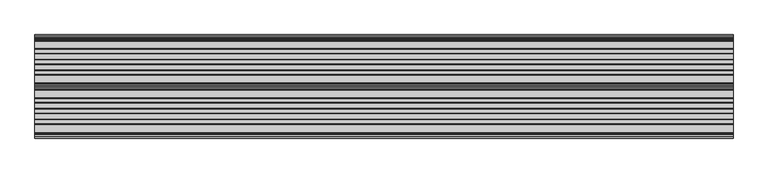
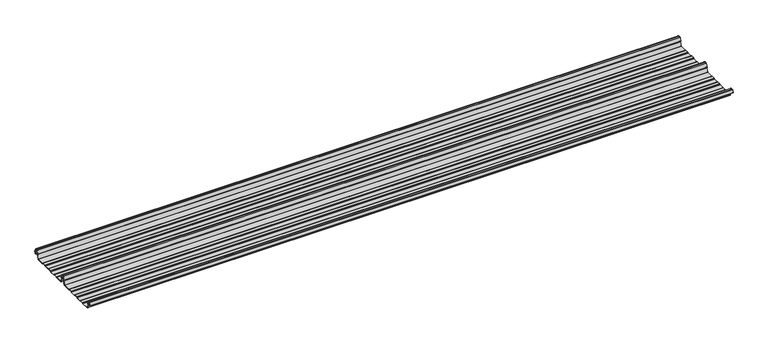
"""IFC4 building model written with IfcOpenShell, lengths in millimetres: beam geometry."""

from ifc_helpers import new_model, si_unit, point, frame, frame_2d, origin, place, context, project, spatial, polyline, circle_curve, trimmed, segment, composite_curve, outline, extrude, source, transform, mapped, element, save


def beam_70c352ec(model_context):
    return source(origin(), model_context, "Body", "SweptSolid", [
        extrude(outline(composite_curve([segment(trimmed(circle_curve(frame_2d((-231.1362436, -24.0396475)), 1.75), [point((-231.1362436, -25.7896475))], [point((-232.7807057, -24.6381827))], False, "CARTESIAN"), True, "CONTINUOUS"), segment(polyline([(-232.7807057, -24.6381827), (-241.6888002, -2.1633943)]), True, "CONTINUOUS"), segment(trimmed(circle_curve(frame_2d((-240.0443381, -1.5648591)), 1.75), [point((-241.6888002, -2.1633943))], [point((-240.4972714, 0.1255111))], False, "CARTESIAN"), True, "CONTINUOUS"), segment(polyline([(-240.4972714, 0.1255111), (-237.8419476, 0.837003)]), True, "CONTINUOUS"), segment(trimmed(circle_curve(frame_2d((-238.1654714, 2.0444103)), 1.25), [point((-237.8419476, 0.837003))], [point((-236.9908556, 2.4719355))], True, "CARTESIAN"), True, "CONTINUOUS"), segment(polyline([(-236.9908556, 2.4719355), (-243.8110817, 21.2103525), (-250.0, 21.2103525), (-256.1889183, 21.2103525), (-263.0091444, 2.4719355)]), True, "CONTINUOUS"), segment(trimmed(circle_curve(frame_2d((-261.8345286, 2.0444103)), 1.25), [point((-263.0091444, 2.4719355))], [point((-262.1580524, 0.837003))], True, "CARTESIAN"), True, "CONTINUOUS"), segment(polyline([(-262.1580524, 0.837003), (-259.5027286, 0.1255111)]), True, "CONTINUOUS"), segment(trimmed(circle_curve(frame_2d((-259.9556619, -1.5648591)), 1.75), [point((-259.5027286, 0.1255111))], [point((-258.3111998, -2.1633943))], False, "CARTESIAN"), True, "CONTINUOUS"), segment(polyline([(-258.3111998, -2.1633943), (-267.2192943, -24.6381827)]), True, "CONTINUOUS"), segment(trimmed(circle_curve(frame_2d((-268.8637564, -24.0396475)), 1.75), [point((-267.2192943, -24.6381827))], [point((-268.8637564, -25.7896475))], False, "CARTESIAN"), True, "CONTINUOUS"), segment(polyline([(-268.8637564, -25.7896475), (-307.3786797, -25.7896475)]), True, "CONTINUOUS"), segment(trimmed(circle_curve(frame_2d((-307.3786797, -24.0396475)), 1.75), [point((-307.3786797, -25.7896475))], [point((-308.6161165, -25.2770843))], False, "CARTESIAN"), True, "CONTINUOUS"), segment(polyline([(-308.6161165, -25.2770843), (-310.7788845, -23.1143163)]), True, "CONTINUOUS"), segment(trimmed(circle_curve(frame_2d((-311.5627045, -23.8981363)), 1.1084889), [point((-310.7788845, -23.1143163))], [point((-311.5627045, -22.7896475))], True, "CARTESIAN"), True, "CONTINUOUS"), segment(polyline([(-311.5627045, -22.7896475), (-330.4372955, -22.7896475)]), True, "CONTINUOUS"), segment(trimmed(circle_curve(frame_2d((-330.4372955, -23.8981363)), 1.1084889), [point((-330.4372955, -22.7896475))], [point((-331.2211155, -23.1143163))], True, "CARTESIAN"), True, "CONTINUOUS"), segment(polyline([(-331.2211155, -23.1143163), (-333.3838835, -25.2770843)]), True, "CONTINUOUS"), segment(trimmed(circle_curve(frame_2d((-334.6213203, -24.0396475)), 1.75), [point((-333.3838835, -25.2770843))], [point((-334.6213203, -25.7896475))], False, "CARTESIAN"), True, "CONTINUOUS"), segment(polyline([(-334.6213203, -25.7896475), (-361.3786797, -25.7896475)]), True, "CONTINUOUS"), segment(trimmed(circle_curve(frame_2d((-361.3786797, -24.0396475)), 1.75), [point((-361.3786797, -25.7896475))], [point((-362.6161165, -25.2770843))], False, "CARTESIAN"), True, "CONTINUOUS"), segment(polyline([(-362.6161165, -25.2770843), (-364.7788845, -23.1143163)]), True, "CONTINUOUS"), segment(trimmed(circle_curve(frame_2d((-365.5627045, -23.8981363)), 1.1084889), [point((-364.7788845, -23.1143163))], [point((-365.5627045, -22.7896475))], True, "CARTESIAN"), True, "CONTINUOUS"), segment(polyline([(-365.5627045, -22.7896475), (-384.4372955, -22.7896475)]), True, "CONTINUOUS"), segment(trimmed(circle_curve(frame_2d((-384.4372955, -23.8981363)), 1.1084889), [point((-384.4372955, -22.7896475))], [point((-385.2211155, -23.1143163))], True, "CARTESIAN"), True, "CONTINUOUS"), segment(polyline([(-385.2211155, -23.1143163), (-387.3838835, -25.2770843)]), True, "CONTINUOUS"), segment(trimmed(circle_curve(frame_2d((-388.6213203, -24.0396475)), 1.75), [point((-387.3838835, -25.2770843))], [point((-388.6213203, -25.7896475))], False, "CARTESIAN"), True, "CONTINUOUS"), segment(polyline([(-388.6213203, -25.7896475), (-415.3786797, -25.7896475)]), True, "CONTINUOUS"), segment(trimmed(circle_curve(frame_2d((-415.3786797, -24.0396475)), 1.75), [point((-415.3786797, -25.7896475))], [point((-416.6161165, -25.2770843))], False, "CARTESIAN"), True, "CONTINUOUS"), segment(polyline([(-416.6161165, -25.2770843), (-418.7788845, -23.1143163)]), True, "CONTINUOUS"), segment(trimmed(circle_curve(frame_2d((-419.5627045, -23.8981363)), 1.1084889), [point((-418.7788845, -23.1143163))], [point((-419.5627045, -22.7896475))], True, "CARTESIAN"), True, "CONTINUOUS"), segment(polyline([(-419.5627045, -22.7896475), (-438.4372955, -22.7896475)]), True, "CONTINUOUS"), segment(trimmed(circle_curve(frame_2d((-438.4372955, -23.8981363)), 1.1084889), [point((-438.4372955, -22.7896475))], [point((-439.2211155, -23.1143163))], True, "CARTESIAN"), True, "CONTINUOUS"), segment(polyline([(-439.2211155, -23.1143163), (-441.3838835, -25.2770843)]), True, "CONTINUOUS"), segment(trimmed(circle_curve(frame_2d((-442.6213203, -24.0396475)), 1.75), [point((-441.3838835, -25.2770843))], [point((-442.6213203, -25.7896475))], False, "CARTESIAN"), True, "CONTINUOUS"), segment(polyline([(-442.6213203, -25.7896475), (-483.287616, -25.7896475)]), True, "CONTINUOUS"), segment(trimmed(circle_curve(frame_2d((-483.287616, -24.0396475)), 1.75), [point((-483.287616, -25.7896475))], [point((-484.8955882, -24.7302452))], False, "CARTESIAN"), True, "CONTINUOUS"), segment(polyline([(-484.8955882, -24.7302452), (-493.5565428, -2.8789816)]), True, "CONTINUOUS"), segment(trimmed(circle_curve(frame_2d((-490.0443381, -1.5648591)), 3.75), [point((-493.5565428, -2.8789816))], [point((-490.3464639, 2.1729504))], False, "CARTESIAN"), True, "CONTINUOUS"), segment(trimmed(circle_curve(frame_2d((-490.426413, 3.162057)), 0.9923325), [point((-490.3464639, 2.1729504))], [point((-489.4939255, 3.5014547))], True, "CARTESIAN"), True, "CONTINUOUS"), segment(polyline([(-489.4939255, 3.5014547), (-494.9720116, 18.5523727)]), True, "CONTINUOUS"), segment(trimmed(circle_curve(frame_2d((-495.9117043, 18.2103525)), 1.0), [point((-494.9720116, 18.5523727))], [point((-495.9117043, 19.2103525))], True, "CARTESIAN"), True, "CONTINUOUS"), segment(polyline([(-495.9117043, 19.2103525), (-504.0882957, 19.2103525)]), True, "CONTINUOUS"), segment(trimmed(circle_curve(frame_2d((-504.0882957, 18.2103525)), 1.0), [point((-504.0882957, 19.2103525))], [point((-505.0279884, 18.5523727))], True, "CARTESIAN"), True, "CONTINUOUS"), segment(polyline([(-505.0279884, 18.5523727), (-510.4799156, 3.5733257)]), True, "CONTINUOUS"), segment(trimmed(circle_curve(frame_2d((-510.9497619, 3.7443357)), 0.5), [point((-510.4799156, 3.5733257))], [point((-511.4196082, 3.9153458))], False, "CARTESIAN"), True, "CONTINUOUS"), segment(polyline([(-511.4196082, 3.9153458), (-505.967681, 18.8943928)]), True, "CONTINUOUS"), segment(trimmed(circle_curve(frame_2d((-504.0882957, 18.2103525)), 2.0), [point((-505.967681, 18.8943928))], [point((-504.0882957, 20.2103525))], False, "CARTESIAN"), True, "CONTINUOUS"), segment(polyline([(-504.0882957, 20.2103525), (-495.9117043, 20.2103525)]), True, "CONTINUOUS"), segment(trimmed(circle_curve(frame_2d((-495.9117043, 18.2103525)), 2.0), [point((-495.9117043, 20.2103525))], [point((-494.032319, 18.8943928))], False, "CARTESIAN"), True, "CONTINUOUS"), segment(polyline([(-494.032319, 18.8943928), (-488.5542329, 3.8434749)]), True, "CONTINUOUS"), segment(trimmed(circle_curve(frame_2d((-490.426413, 3.162057)), 1.9923325), [point((-488.5542329, 3.8434749))], [point((-490.265897, 1.1762012))], False, "CARTESIAN"), True, "CONTINUOUS"), segment(trimmed(circle_curve(frame_2d((-490.0443381, -1.5648591)), 2.75), [point((-490.265897, 1.1762012))], [point((-492.6230664, -2.5201915))], True, "CARTESIAN"), True, "CONTINUOUS"), segment(polyline([(-492.6230664, -2.5201915), (-483.9722515, -24.3458733)]), True, "CONTINUOUS"), segment(trimmed(circle_curve(frame_2d((-483.287616, -24.0396475)), 0.75), [point((-483.9722515, -24.3458733))], [point((-483.287616, -24.7896475))], True, "CARTESIAN"), True, "CONTINUOUS"), segment(polyline([(-483.287616, -24.7896475), (-442.7420401, -24.7896475)]), True, "CONTINUOUS"), segment(trimmed(circle_curve(frame_2d((-442.7420401, -23.7482041)), 1.0414433), [point((-442.7420401, -24.7896475))], [point((-442.0056285, -24.4846158))], True, "CARTESIAN"), True, "CONTINUOUS"), segment(polyline([(-442.0056285, -24.4846158), (-439.9696699, -22.4486572)]), True, "CONTINUOUS"), segment(trimmed(circle_curve(frame_2d((-438.3786797, -24.0396475)), 2.25), [point((-439.9696699, -22.4486572))], [point((-438.3786797, -21.7896475))], False, "CARTESIAN"), True, "CONTINUOUS"), segment(polyline([(-438.3786797, -21.7896475), (-419.6213203, -21.7896475)]), True, "CONTINUOUS"), segment(trimmed(circle_curve(frame_2d((-419.6213203, -24.0396475)), 2.25), [point((-419.6213203, -21.7896475))], [point((-418.0303301, -22.4486572))], False, "CARTESIAN"), True, "CONTINUOUS"), segment(polyline([(-418.0303301, -22.4486572), (-415.9943715, -24.4846158)]), True, "CONTINUOUS"), segment(trimmed(circle_curve(frame_2d((-415.2579599, -23.7482041)), 1.0414433), [point((-415.9943715, -24.4846158))], [point((-415.2579599, -24.7896475))], True, "CARTESIAN"), True, "CONTINUOUS"), segment(polyline([(-415.2579599, -24.7896475), (-388.7420401, -24.7896475)]), True, "CONTINUOUS"), segment(trimmed(circle_curve(frame_2d((-388.7420401, -23.7482041)), 1.0414433), [point((-388.7420401, -24.7896475))], [point((-388.0056285, -24.4846158))], True, "CARTESIAN"), True, "CONTINUOUS"), segment(polyline([(-388.0056285, -24.4846158), (-385.9696699, -22.4486572)]), True, "CONTINUOUS"), segment(trimmed(circle_curve(frame_2d((-384.3786797, -24.0396475)), 2.25), [point((-385.9696699, -22.4486572))], [point((-384.3786797, -21.7896475))], False, "CARTESIAN"), True, "CONTINUOUS"), segment(polyline([(-384.3786797, -21.7896475), (-365.6213203, -21.7896475)]), True, "CONTINUOUS"), segment(trimmed(circle_curve(frame_2d((-365.6213203, -24.0396475)), 2.25), [point((-365.6213203, -21.7896475))], [point((-364.0303301, -22.4486572))], False, "CARTESIAN"), True, "CONTINUOUS"), segment(polyline([(-364.0303301, -22.4486572), (-361.9943715, -24.4846158)]), True, "CONTINUOUS"), segment(trimmed(circle_curve(frame_2d((-361.2579599, -23.7482041)), 1.0414433), [point((-361.9943715, -24.4846158))], [point((-361.2579599, -24.7896475))], True, "CARTESIAN"), True, "CONTINUOUS"), segment(polyline([(-361.2579599, -24.7896475), (-334.7420401, -24.7896475)]), True, "CONTINUOUS"), segment(trimmed(circle_curve(frame_2d((-334.7420401, -23.7482041)), 1.0414433), [point((-334.7420401, -24.7896475))], [point((-334.0056285, -24.4846158))], True, "CARTESIAN"), True, "CONTINUOUS"), segment(polyline([(-334.0056285, -24.4846158), (-331.9696699, -22.4486572)]), True, "CONTINUOUS"), segment(trimmed(circle_curve(frame_2d((-330.3786797, -24.0396475)), 2.25), [point((-331.9696699, -22.4486572))], [point((-330.3786797, -21.7896475))], False, "CARTESIAN"), True, "CONTINUOUS"), segment(polyline([(-330.3786797, -21.7896475), (-311.6213203, -21.7896475)]), True, "CONTINUOUS"), segment(trimmed(circle_curve(frame_2d((-311.6213203, -24.0396475)), 2.25), [point((-311.6213203, -21.7896475))], [point((-310.0303301, -22.4486572))], False, "CARTESIAN"), True, "CONTINUOUS"), segment(polyline([(-310.0303301, -22.4486572), (-307.9943715, -24.4846158)]), True, "CONTINUOUS"), segment(trimmed(circle_curve(frame_2d((-307.2579599, -23.7482041)), 1.0414433), [point((-307.9943715, -24.4846158))], [point((-307.2579599, -24.7896475))], True, "CARTESIAN"), True, "CONTINUOUS"), segment(polyline([(-307.2579599, -24.7896475), (-268.8637564, -24.7896475)]), True, "CONTINUOUS"), segment(trimmed(circle_curve(frame_2d((-268.8637564, -24.0396475)), 0.75), [point((-268.8637564, -24.7896475))], [point((-268.1552359, -24.2856122))], True, "CARTESIAN"), True, "CONTINUOUS"), segment(polyline([(-268.1552359, -24.2856122), (-259.2471414, -1.8108238)]), True, "CONTINUOUS"), segment(trimmed(circle_curve(frame_2d((-259.9556619, -1.5648591)), 0.75), [point((-259.2471414, -1.8108238))], [point((-259.7615476, -0.8404147))], True, "CARTESIAN"), True, "CONTINUOUS"), segment(polyline([(-259.7615476, -0.8404147), (-262.4168715, -0.1289228)]), True, "CONTINUOUS"), segment(trimmed(circle_curve(frame_2d((-261.8345286, 2.0444103)), 2.25), [point((-262.4168715, -0.1289228))], [point((-263.948837, 2.8139556))], False, "CARTESIAN"), True, "CONTINUOUS"), segment(polyline([(-263.948837, 2.8139556), (-257.1273286, 21.5558959)]), True, "CONTINUOUS"), segment(trimmed(circle_curve(frame_2d((-256.1926676, 21.2157071)), 0.9946455), [point((-257.1273286, 21.5558959))], [point((-256.1926676, 22.2103525))], False, "CARTESIAN"), True, "CONTINUOUS"), segment(polyline([(-256.1926676, 22.2103525), (-250.0, 22.2103525), (-243.8073324, 22.2103525)]), True, "CONTINUOUS"), segment(trimmed(circle_curve(frame_2d((-243.8073324, 21.2157071)), 0.9946455), [point((-243.8073324, 22.2103525))], [point((-242.8726714, 21.5558959))], False, "CARTESIAN"), True, "CONTINUOUS"), segment(polyline([(-242.8726714, 21.5558959), (-236.051163, 2.8139556)]), True, "CONTINUOUS"), segment(trimmed(circle_curve(frame_2d((-238.1654714, 2.0444103)), 2.25), [point((-236.051163, 2.8139556))], [point((-237.5831285, -0.1289228))], False, "CARTESIAN"), True, "CONTINUOUS"), segment(polyline([(-237.5831285, -0.1289228), (-240.2384524, -0.8404147)]), True, "CONTINUOUS"), segment(trimmed(circle_curve(frame_2d((-240.0443381, -1.5648591)), 0.75), [point((-240.2384524, -0.8404147))], [point((-240.7528586, -1.8108238))], True, "CARTESIAN"), True, "CONTINUOUS"), segment(polyline([(-240.7528586, -1.8108238), (-231.8447641, -24.2856122)]), True, "CONTINUOUS"), segment(trimmed(circle_curve(frame_2d((-231.1362436, -24.0396475)), 0.75), [point((-231.8447641, -24.2856122))], [point((-231.1362436, -24.7896475))], True, "CARTESIAN"), True, "CONTINUOUS"), segment(polyline([(-231.1362436, -24.7896475), (-192.7420401, -24.7896475)]), True, "CONTINUOUS"), segment(trimmed(circle_curve(frame_2d((-192.7420401, -23.7482041)), 1.0414433), [point((-192.7420401, -24.7896475))], [point((-192.0056285, -24.4846158))], True, "CARTESIAN"), True, "CONTINUOUS"), segment(polyline([(-192.0056285, -24.4846158), (-189.9696699, -22.4486572)]), True, "CONTINUOUS"), segment(trimmed(circle_curve(frame_2d((-188.3786797, -24.0396475)), 2.25), [point((-189.9696699, -22.4486572))], [point((-188.3786797, -21.7896475))], False, "CARTESIAN"), True, "CONTINUOUS"), segment(polyline([(-188.3786797, -21.7896475), (-169.6213203, -21.7896475)]), True, "CONTINUOUS"), segment(trimmed(circle_curve(frame_2d((-169.6213203, -24.0396475)), 2.25), [point((-169.6213203, -21.7896475))], [point((-168.0303301, -22.4486572))], False, "CARTESIAN"), True, "CONTINUOUS"), segment(polyline([(-168.0303301, -22.4486572), (-165.9943715, -24.4846158)]), True, "CONTINUOUS"), segment(trimmed(circle_curve(frame_2d((-165.2579599, -23.7482041)), 1.0414433), [point((-165.9943715, -24.4846158))], [point((-165.2579599, -24.7896475))], True, "CARTESIAN"), True, "CONTINUOUS"), segment(polyline([(-165.2579599, -24.7896475), (-138.7420401, -24.7896475)]), True, "CONTINUOUS"), segment(trimmed(circle_curve(frame_2d((-138.7420401, -23.7482041)), 1.0414433), [point((-138.7420401, -24.7896475))], [point((-138.0056285, -24.4846158))], True, "CARTESIAN"), True, "CONTINUOUS"), segment(polyline([(-138.0056285, -24.4846158), (-135.9696699, -22.4486572)]), True, "CONTINUOUS"), segment(trimmed(circle_curve(frame_2d((-134.3786797, -24.0396475)), 2.25), [point((-135.9696699, -22.4486572))], [point((-134.3786797, -21.7896475))], False, "CARTESIAN"), True, "CONTINUOUS"), segment(polyline([(-134.3786797, -21.7896475), (-115.6213203, -21.7896475)]), True, "CONTINUOUS"), segment(trimmed(circle_curve(frame_2d((-115.6213203, -24.0396475)), 2.25), [point((-115.6213203, -21.7896475))], [point((-114.0303301, -22.4486572))], False, "CARTESIAN"), True, "CONTINUOUS"), segment(polyline([(-114.0303301, -22.4486572), (-111.9943715, -24.4846158)]), True, "CONTINUOUS"), segment(trimmed(circle_curve(frame_2d((-111.2579599, -23.7482041)), 1.0414433), [point((-111.9943715, -24.4846158))], [point((-111.2579599, -24.7896475))], True, "CARTESIAN"), True, "CONTINUOUS"), segment(polyline([(-111.2579599, -24.7896475), (-84.7420401, -24.7896475)]), True, "CONTINUOUS"), segment(trimmed(circle_curve(frame_2d((-84.7420401, -23.7482041)), 1.0414433), [point((-84.7420401, -24.7896475))], [point((-84.0056285, -24.4846158))], True, "CARTESIAN"), True, "CONTINUOUS"), segment(polyline([(-84.0056285, -24.4846158), (-81.9696699, -22.4486572)]), True, "CONTINUOUS"), segment(trimmed(circle_curve(frame_2d((-80.3786797, -24.0396475)), 2.25), [point((-81.9696699, -22.4486572))], [point((-80.3786797, -21.7896475))], False, "CARTESIAN"), True, "CONTINUOUS"), segment(polyline([(-80.3786797, -21.7896475), (-61.6213203, -21.7896475)]), True, "CONTINUOUS"), segment(trimmed(circle_curve(frame_2d((-61.6213203, -24.0396475)), 2.25), [point((-61.6213203, -21.7896475))], [point((-60.0303301, -22.4486572))], False, "CARTESIAN"), True, "CONTINUOUS"), segment(polyline([(-60.0303301, -22.4486572), (-57.9943715, -24.4846158)]), True, "CONTINUOUS"), segment(trimmed(circle_curve(frame_2d((-57.2579599, -23.7482041)), 1.0414433), [point((-57.9943715, -24.4846158))], [point((-57.2579599, -24.7896475))], True, "CARTESIAN"), True, "CONTINUOUS"), segment(polyline([(-57.2579599, -24.7896475), (-18.8637564, -24.7896475)]), True, "CONTINUOUS"), segment(trimmed(circle_curve(frame_2d((-18.8637564, -24.0396475)), 0.75), [point((-18.8637564, -24.7896475))], [point((-18.1552359, -24.2856122))], True, "CARTESIAN"), True, "CONTINUOUS"), segment(polyline([(-18.1552359, -24.2856122), (-9.2471414, -1.8108238)]), True, "CONTINUOUS"), segment(trimmed(circle_curve(frame_2d((-9.9556619, -1.5648591)), 0.75), [point((-9.2471414, -1.8108238))], [point((-9.7615476, -0.8404147))], True, "CARTESIAN"), True, "CONTINUOUS"), segment(polyline([(-9.7615476, -0.8404147), (-12.4168715, -0.1289228)]), True, "CONTINUOUS"), segment(trimmed(circle_curve(frame_2d((-11.8345286, 2.0444103)), 2.25), [point((-12.4168715, -0.1289228))], [point((-13.948837, 2.8139556))], False, "CARTESIAN"), True, "CONTINUOUS"), segment(polyline([(-13.948837, 2.8139556), (-7.1273286, 21.5558959)]), True, "CONTINUOUS"), segment(trimmed(circle_curve(frame_2d((-6.1926676, 21.2157071)), 0.9946455), [point((-7.1273286, 21.5558959))], [point((-6.1926676, 22.2103525))], False, "CARTESIAN"), True, "CONTINUOUS"), segment(polyline([(-6.1926676, 22.2103525), (0.0, 22.2103525), (6.1926676, 22.2103525)]), True, "CONTINUOUS"), segment(trimmed(circle_curve(frame_2d((6.1926676, 21.2157071)), 0.9946455), [point((6.1926676, 22.2103525))], [point((7.1273286, 21.5558959))], False, "CARTESIAN"), True, "CONTINUOUS"), segment(polyline([(7.1273286, 21.5558959), (13.948837, 2.8139556)]), True, "CONTINUOUS"), segment(trimmed(circle_curve(frame_2d((11.8345286, 2.0444103)), 2.25), [point((13.948837, 2.8139556))], [point((12.4168715, -0.1289228))], False, "CARTESIAN"), True, "CONTINUOUS"), segment(polyline([(12.4168715, -0.1289228), (9.7615476, -0.8404147)]), True, "CONTINUOUS"), segment(trimmed(circle_curve(frame_2d((9.9556619, -1.5648591)), 0.75), [point((9.7615476, -0.8404147))], [point((9.2471414, -1.8108238))], True, "CARTESIAN"), True, "CONTINUOUS"), segment(polyline([(9.2471414, -1.8108238), (12.5127954, -10.0499465)]), True, "CONTINUOUS"), segment(trimmed(circle_curve(frame_2d((12.0479758, -10.2341821)), 0.5), [point((12.5127954, -10.0499465))], [point((11.5831563, -10.4184177))], False, "CARTESIAN"), True, "CONTINUOUS"), segment(polyline([(11.5831563, -10.4184177), (8.3111998, -2.1633943)]), True, "CONTINUOUS"), segment(trimmed(circle_curve(frame_2d((9.9556619, -1.5648591)), 1.75), [point((8.3111998, -2.1633943))], [point((9.5027286, 0.1255111))], False, "CARTESIAN"), True, "CONTINUOUS"), segment(polyline([(9.5027286, 0.1255111), (12.1580524, 0.837003)]), True, "CONTINUOUS"), segment(trimmed(circle_curve(frame_2d((11.8345286, 2.0444103)), 1.25), [point((12.1580524, 0.837003))], [point((13.0091444, 2.4719355))], True, "CARTESIAN"), True, "CONTINUOUS"), segment(polyline([(13.0091444, 2.4719355), (6.1889183, 21.2103525), (0.0, 21.2103525), (-6.1889183, 21.2103525), (-13.0091444, 2.4719355)]), True, "CONTINUOUS"), segment(trimmed(circle_curve(frame_2d((-11.8345286, 2.0444103)), 1.25), [point((-13.0091444, 2.4719355))], [point((-12.1580524, 0.837003))], True, "CARTESIAN"), True, "CONTINUOUS"), segment(polyline([(-12.1580524, 0.837003), (-9.5027286, 0.1255111)]), True, "CONTINUOUS"), segment(trimmed(circle_curve(frame_2d((-9.9556619, -1.5648591)), 1.75), [point((-9.5027286, 0.1255111))], [point((-8.3111998, -2.1633943))], False, "CARTESIAN"), True, "CONTINUOUS"), segment(polyline([(-8.3111998, -2.1633943), (-17.2192943, -24.6381827)]), True, "CONTINUOUS"), segment(trimmed(circle_curve(frame_2d((-18.8637564, -24.0396475)), 1.75), [point((-17.2192943, -24.6381827))], [point((-18.8637564, -25.7896475))], False, "CARTESIAN"), True, "CONTINUOUS"), segment(polyline([(-18.8637564, -25.7896475), (-57.3786797, -25.7896475)]), True, "CONTINUOUS"), segment(trimmed(circle_curve(frame_2d((-57.3786797, -24.0396475)), 1.75), [point((-57.3786797, -25.7896475))], [point((-58.6161165, -25.2770843))], False, "CARTESIAN"), True, "CONTINUOUS"), segment(polyline([(-58.6161165, -25.2770843), (-60.7788845, -23.1143163)]), True, "CONTINUOUS"), segment(trimmed(circle_curve(frame_2d((-61.5627045, -23.8981363)), 1.1084889), [point((-60.7788845, -23.1143163))], [point((-61.5627045, -22.7896475))], True, "CARTESIAN"), True, "CONTINUOUS"), segment(polyline([(-61.5627045, -22.7896475), (-80.4372955, -22.7896475)]), True, "CONTINUOUS"), segment(trimmed(circle_curve(frame_2d((-80.4372955, -23.8981363)), 1.1084889), [point((-80.4372955, -22.7896475))], [point((-81.2211155, -23.1143163))], True, "CARTESIAN"), True, "CONTINUOUS"), segment(polyline([(-81.2211155, -23.1143163), (-83.3838835, -25.2770843)]), True, "CONTINUOUS"), segment(trimmed(circle_curve(frame_2d((-84.6213203, -24.0396475)), 1.75), [point((-83.3838835, -25.2770843))], [point((-84.6213203, -25.7896475))], False, "CARTESIAN"), True, "CONTINUOUS"), segment(polyline([(-84.6213203, -25.7896475), (-111.3786797, -25.7896475)]), True, "CONTINUOUS"), segment(trimmed(circle_curve(frame_2d((-111.3786797, -24.0396475)), 1.75), [point((-111.3786797, -25.7896475))], [point((-112.6161165, -25.2770843))], False, "CARTESIAN"), True, "CONTINUOUS"), segment(polyline([(-112.6161165, -25.2770843), (-114.7788845, -23.1143163)]), True, "CONTINUOUS"), segment(trimmed(circle_curve(frame_2d((-115.5627045, -23.8981363)), 1.1084889), [point((-114.7788845, -23.1143163))], [point((-115.5627045, -22.7896475))], True, "CARTESIAN"), True, "CONTINUOUS"), segment(polyline([(-115.5627045, -22.7896475), (-134.4372955, -22.7896475)]), True, "CONTINUOUS"), segment(trimmed(circle_curve(frame_2d((-134.4372955, -23.8981363)), 1.1084889), [point((-134.4372955, -22.7896475))], [point((-135.2211155, -23.1143163))], True, "CARTESIAN"), True, "CONTINUOUS"), segment(polyline([(-135.2211155, -23.1143163), (-137.3838835, -25.2770843)]), True, "CONTINUOUS"), segment(trimmed(circle_curve(frame_2d((-138.6213203, -24.0396475)), 1.75), [point((-137.3838835, -25.2770843))], [point((-138.6213203, -25.7896475))], False, "CARTESIAN"), True, "CONTINUOUS"), segment(polyline([(-138.6213203, -25.7896475), (-165.3786797, -25.7896475)]), True, "CONTINUOUS"), segment(trimmed(circle_curve(frame_2d((-165.3786797, -24.0396475)), 1.75), [point((-165.3786797, -25.7896475))], [point((-166.6161165, -25.2770843))], False, "CARTESIAN"), True, "CONTINUOUS"), segment(polyline([(-166.6161165, -25.2770843), (-168.7788845, -23.1143163)]), True, "CONTINUOUS"), segment(trimmed(circle_curve(frame_2d((-169.5627045, -23.8981363)), 1.1084889), [point((-168.7788845, -23.1143163))], [point((-169.5627045, -22.7896475))], True, "CARTESIAN"), True, "CONTINUOUS"), segment(polyline([(-169.5627045, -22.7896475), (-188.4372955, -22.7896475)]), True, "CONTINUOUS"), segment(trimmed(circle_curve(frame_2d((-188.4372955, -23.8981363)), 1.1084889), [point((-188.4372955, -22.7896475))], [point((-189.2211155, -23.1143163))], True, "CARTESIAN"), True, "CONTINUOUS"), segment(polyline([(-189.2211155, -23.1143163), (-191.3838835, -25.2770843)]), True, "CONTINUOUS"), segment(trimmed(circle_curve(frame_2d((-192.6213203, -24.0396475)), 1.75), [point((-191.3838835, -25.2770843))], [point((-192.6213203, -25.7896475))], False, "CARTESIAN"), True, "CONTINUOUS"), segment(polyline([(-192.6213203, -25.7896475), (-231.1362436, -25.7896475)]), True, "CONTINUOUS")], self_intersect=False)), frame((-1769.8976225, 0.0, 0.0), z_axis=(1.0, 0.0, 0.0), x_axis=(0.0, 1.0, 0.0)), (0.0, 0.0, 1.0), 3539.795245),
    ])


if __name__ == "__main__":
    model = new_model("IFC4")
    model_context = context("Model", 3, world=origin())
    ifc_project = project(units=[si_unit("LENGTHUNIT", "METRE", prefix="MILLI")], contexts=[model_context])
    site = spatial("IfcSite", under=ifc_project)
    building = spatial("IfcBuilding", under=site)
    placement = place(None, origin())
    beam_shape = beam_70c352ec(model_context)
    element("IfcBeam", 1, at=placement, inside=building, context=model_context, shape_type="MappedRepresentation", body=[
        mapped(beam_shape, transform((0.0, 0.0, 0.0), x_axis=(1.0, 0.0, 0.0), y_axis=(0.0, 1.0, 0.0), z_axis=(0.0, 0.0, 1.0))),
    ])
    save(model, "model.ifc")
